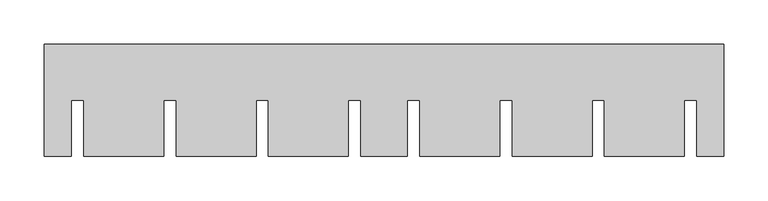
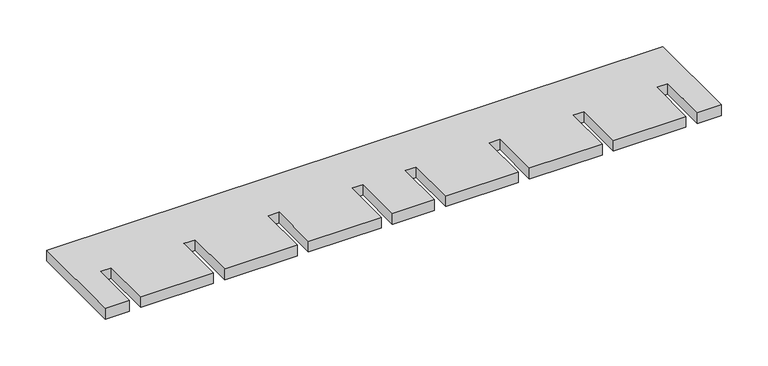
"""IFC4 building model written with IfcOpenShell, lengths in millimetres: proxy geometry."""

from ifc_helpers import new_model, si_unit, origin, origin_with_axes, place, context, project, spatial, polyline, outline, extrude, source, transform, mapped, element, save


def generic_models_b95dd855(model_context):
    return source(origin(), model_context, "Body", "SweptSolid", [
        extrude(outline(polyline([(382.0, 126.0), (382.0, 0.0), (352.0, 0.0), (352.0, 63.0), (338.0, 63.0), (338.0, 0.0), (248.0, 0.0), (248.0, 63.0), (234.0, 63.0), (234.0, 0.0), (144.0, 0.0), (144.0, 63.0), (130.0, 63.0), (130.0, 0.0), (40.0, 0.0), (40.0, 63.0), (26.0, 63.0), (26.0, 0.0), (-26.0, 0.0), (-26.0, 63.0), (-40.0, 63.0), (-40.0, 0.0), (-130.0, 0.0), (-130.0, 63.0), (-144.0, 63.0), (-144.0, 0.0), (-234.0, 0.0), (-234.0, 63.0), (-248.0, 63.0), (-248.0, 0.0), (-338.0, 0.0), (-338.0, 63.0), (-352.0, 63.0), (-352.0, 0.0), (-382.0, 0.0), (-382.0, 126.0), (382.0, 126.0)])), origin_with_axes(), (0.0, 0.0, 1.0), 14.0),
    ])


if __name__ == "__main__":
    model = new_model("IFC4")
    model_context = context("Model", 3, world=origin())
    ifc_project = project(units=[si_unit("LENGTHUNIT", "METRE", prefix="MILLI")], contexts=[model_context])
    site = spatial("IfcSite", under=ifc_project)
    building = spatial("IfcBuilding", under=site)
    placement = place(None, origin())
    generic_models_shape = generic_models_b95dd855(model_context)
    element("IfcBuildingElementProxy", 1, Name="Generic Models", at=placement, inside=building, context=model_context, shape_type="MappedRepresentation", body=[
        mapped(generic_models_shape, transform((0.0, 0.0, 0.0), x_axis=(1.0, 0.0, 0.0), y_axis=(0.0, 1.0, 0.0), z_axis=(0.0, 0.0, 1.0))),
    ])
    save(model, "model.ifc")
